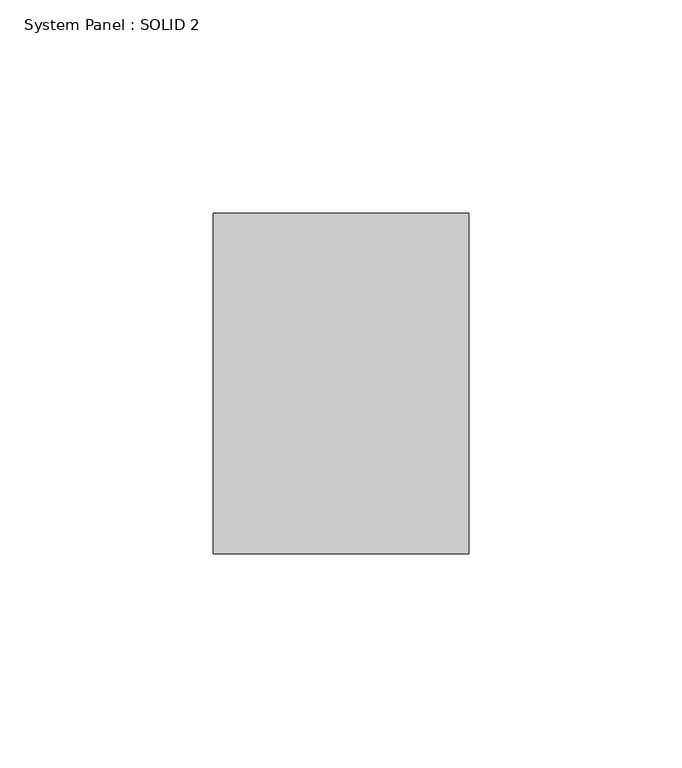
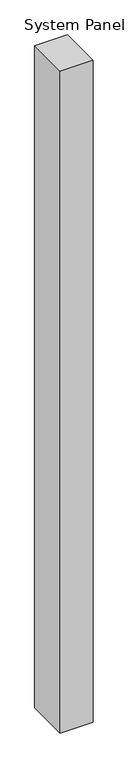
"""IFC4 building model written with IfcOpenShell, lengths in millimetres: plate geometry, System Panel : SOLID 2."""

from ifc_helpers import new_model, si_unit, origin, origin_with_axes, place, context, project, spatial, polyline, outline, extrude, source, transform, mapped, element, save


def system_panel_solid_2_22fbe653(model_context):
    return source(origin(), model_context, "Body", "SweptSolid", [
        extrude(outline(polyline([(30.0, 80.0), (-30.0, 80.0), (-30.0, 160.0), (30.0, 160.0), (30.0, 80.0)])), origin_with_axes(), (0.0, 0.0, 1.0), 1269.6666667),
    ])


if __name__ == "__main__":
    model = new_model("IFC4")
    model_context = context("Model", 3, world=origin())
    ifc_project = project(units=[si_unit("LENGTHUNIT", "METRE", prefix="MILLI")], contexts=[model_context])
    site = spatial("IfcSite", under=ifc_project)
    building = spatial("IfcBuilding", under=site)
    placement = place(None, origin())
    system_panel_solid_2_shape = system_panel_solid_2_22fbe653(model_context)
    element("IfcPlate", 1, ObjectType="System Panel : SOLID 2", at=placement, inside=building, context=model_context, shape_type="MappedRepresentation", body=[
        mapped(system_panel_solid_2_shape, transform((0.0, 0.0, 0.0), x_axis=(1.0, 0.0, 0.0), y_axis=(0.0, 1.0, 0.0), z_axis=(0.0, 0.0, 1.0))),
    ])
    save(model, "model.ifc")
